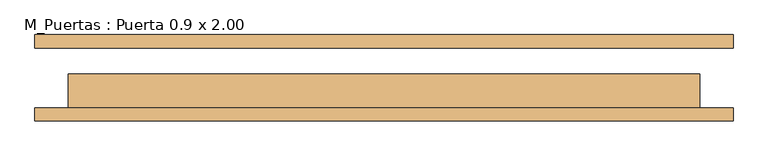
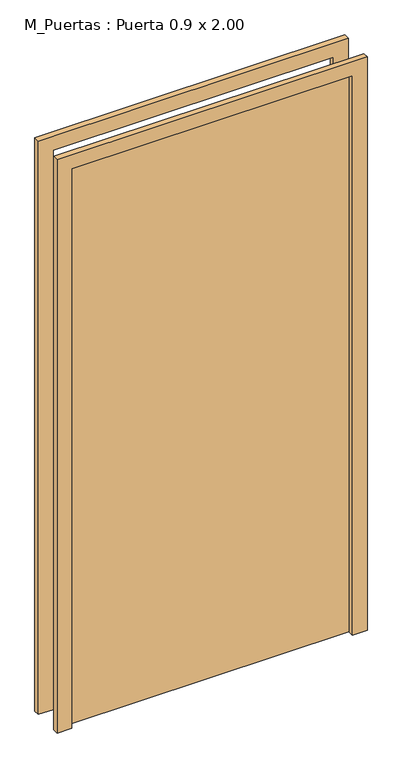
"""IFC4 building model written with IfcOpenShell, lengths in millimetres: door geometry, M_Puertas : Puerta 0.9 x 2.00."""

from ifc_helpers import new_model, si_unit, frame, origin, origin_with_axes, place, context, project, spatial, polyline, outline, extrude, source, transform, mapped, element, save


def m_puertas_puerta_0_9_x_2_00_3fe9a923(model_context):
    return source(origin(), model_context, "Body", "SweptSolid", [
        extrude(outline(polyline([(2050.0, -525.0), (0.0, -525.0), (0.0, -475.0), (2000.0, -475.0), (2000.0, 475.0), (0.0, 475.0), (0.0, 525.0), (2050.0, 525.0), (2050.0, -525.0)])), frame((0.0, -65.0, 0.0), z_axis=(0.0, 1.0, 0.0), x_axis=(0.0, 0.0, 1.0)), (0.0, 0.0, 1.0), 20.0),
        extrude(outline(polyline([(2050.0, 525.0), (2050.0, -525.0), (0.0, -525.0), (0.0, -475.0), (2000.0, -475.0), (2000.0, 475.0), (0.0, 475.0), (0.0, 525.0), (2050.0, 525.0)])), frame((0.0, 45.0, 0.0), z_axis=(0.0, 1.0, 0.0), x_axis=(0.0, 0.0, 1.0)), (0.0, 0.0, 1.0), 20.0),
        extrude(outline(polyline([(475.0, 6.0), (475.0, -45.0), (-475.0, -45.0), (-475.0, 6.0), (475.0, 6.0)])), origin_with_axes(), (0.0, 0.0, 1.0), 2000.0),
    ])


if __name__ == "__main__":
    model = new_model("IFC4")
    model_context = context("Model", 3, world=origin())
    ifc_project = project(units=[si_unit("LENGTHUNIT", "METRE", prefix="MILLI")], contexts=[model_context])
    site = spatial("IfcSite", under=ifc_project)
    building = spatial("IfcBuilding", under=site)
    placement = place(None, origin())
    m_puertas_puerta_0_9_x_2_00_shape = m_puertas_puerta_0_9_x_2_00_3fe9a923(model_context)
    element("IfcDoor", 1, ObjectType="M_Puertas : Puerta 0.9 x 2.00", at=placement, inside=building, context=model_context, shape_type="MappedRepresentation", body=[
        mapped(m_puertas_puerta_0_9_x_2_00_shape, transform((0.0, 0.0, 0.0), x_axis=(1.0, 0.0, 0.0), y_axis=(0.0, 1.0, 0.0), z_axis=(0.0, 0.0, 1.0))),
    ])
    save(model, "model.ifc")
